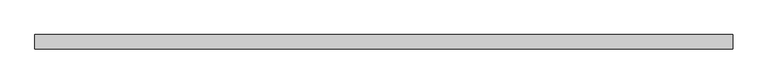
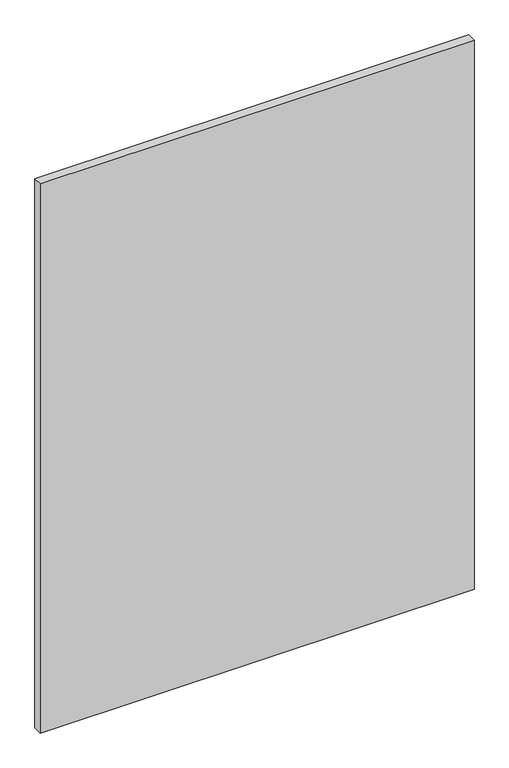
"""IFC4 building model written with IfcOpenShell, lengths in millimetres: plate geometry."""

from ifc_helpers import new_model, si_unit, origin, origin_with_axes, place, context, project, spatial, polyline, outline, extrude, source, transform, mapped, element, save


def plate_2ce54bea(model_context):
    return source(origin(), model_context, "Body", "SweptSolid", [
        extrude(outline(polyline([(1214.2214609, -25.0), (-1214.2214609, -25.0), (-1214.2214609, 25.0), (1214.2214609, 25.0), (1214.2214609, -25.0)])), origin_with_axes(), (0.0, 0.0, 1.0), 3250.0),
    ])


if __name__ == "__main__":
    model = new_model("IFC4")
    model_context = context("Model", 3, world=origin())
    ifc_project = project(units=[si_unit("LENGTHUNIT", "METRE", prefix="MILLI")], contexts=[model_context])
    site = spatial("IfcSite", under=ifc_project)
    building = spatial("IfcBuilding", under=site)
    placement = place(None, origin())
    plate_shape = plate_2ce54bea(model_context)
    element("IfcPlate", 1, at=placement, inside=building, context=model_context, shape_type="MappedRepresentation", body=[
        mapped(plate_shape, transform((0.0, 0.0, 0.0), x_axis=(1.0, 0.0, 0.0), y_axis=(0.0, 1.0, 0.0), z_axis=(0.0, 0.0, 1.0))),
    ])
    save(model, "model.ifc")
